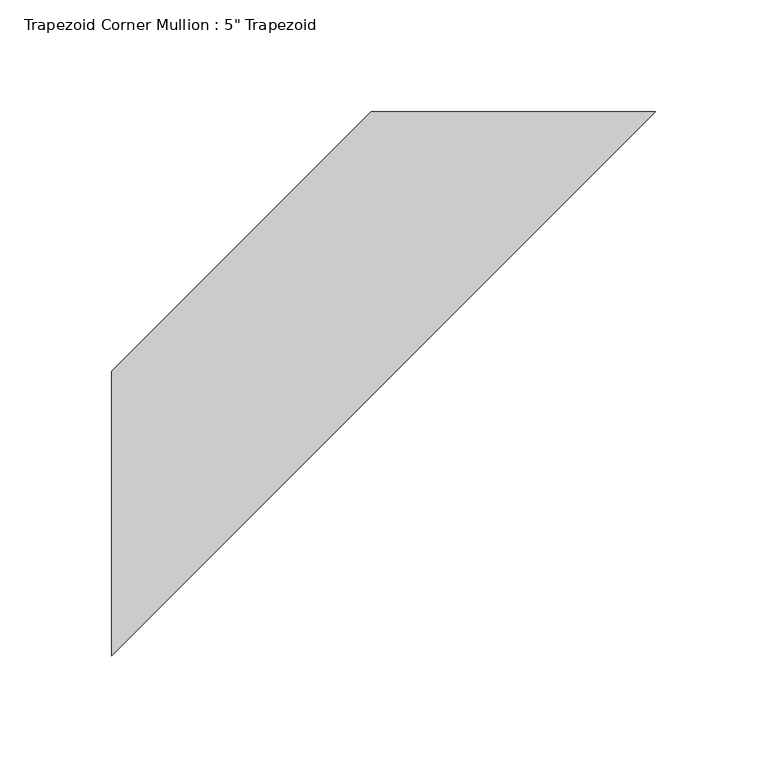
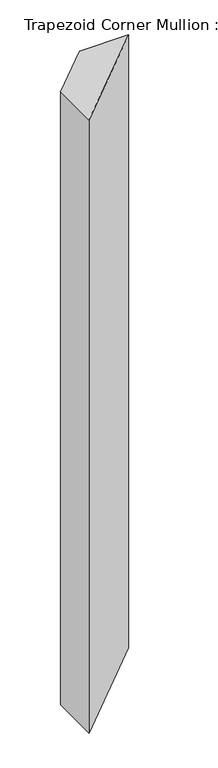
"""IFC4 building model written with IfcOpenShell, lengths in millimetres: member geometry."""

import ifcopenshell
import ifcopenshell.guid

model = None  # the IFC model being written
_history = None  # IfcOwnerHistory: only IFC2X3 demands one
_inside = {}  # id of a spatial element -> (the spatial element, [elements in it])
_under = {}  # id of a project, library or spatial element -> (it, [spatial elements below it])
_declared = {}  # id of a project -> (the project, [libraries it declares])
_typed = {}  # id of a type object -> (the type object, [elements of that type])
_made_of = {}  # id of a material, layer set ... -> (it, [elements and type objects made of it])


def new_model(schema):
    """Start an empty IFC model of exactly this schema.

    Asked for "IFC4X3", IfcOpenShell would pick the latest addendum, in which some entities
    have other attributes; the version numbers below select the first issue.
    IFC2X3 requires an IfcOwnerHistory on every rooted entity: one is made here for all.
    """
    global model, _history
    if schema == "IFC4X3":
        model = ifcopenshell.file(schema_version=(4, 3, 0, 0))
    else:
        model = ifcopenshell.file(schema=schema)
    _inside.clear()
    _under.clear()
    _declared.clear()
    _typed.clear()
    _made_of.clear()
    _history = None
    if model.schema == "IFC2X3":
        org = make("IfcOrganization", Name="unknown")
        user = make(
            "IfcPersonAndOrganization",
            ThePerson=make("IfcPerson", FamilyName="unknown"),
            TheOrganization=org,
        )
        app = make(
            "IfcApplication",
            ApplicationDeveloper=org,
            Version="unknown",
            ApplicationFullName="unknown",
            ApplicationIdentifier="unknown",
        )
        _history = make(
            "IfcOwnerHistory",
            OwningUser=user,
            OwningApplication=app,
            ChangeAction="ADDED",
            CreationDate=0,
        )
    return model


def make(cls, **values):
    """One entity of the class cls with the attributes given. An attribute that is None is left unset."""
    return model.create_entity(
        cls, **{name: value for name, value in values.items() if value is not None}
    )


def rooted(cls, **values):
    """An entity with a GlobalId (a new one), such as an element, a storey or a relation."""
    return make(cls, GlobalId=ifcopenshell.guid.new(), OwnerHistory=_history, **values)


def si_unit(unit_type, name, prefix=None):
    """IfcSIUnit, for example si_unit("LENGTHUNIT", "METRE", prefix="MILLI")."""
    return make("IfcSIUnit", UnitType=unit_type, Prefix=prefix, Name=name)


def assignment(units):
    """IfcUnitAssignment: the units of a project."""
    return None if units is None else make("IfcUnitAssignment", Units=units)


def point(xyz):
    """IfcCartesianPoint."""
    return None if xyz is None else make("IfcCartesianPoint", Coordinates=xyz)


def direction(xyz):
    """IfcDirection."""
    return None if xyz is None else make("IfcDirection", DirectionRatios=xyz)


def frame(location, z_axis=None, x_axis=None):
    """IfcAxis2Placement3D, a coordinate frame: its origin and axes. An axis left out is left unset."""
    return make(
        "IfcAxis2Placement3D",
        Location=point(location),
        Axis=direction(z_axis),
        RefDirection=direction(x_axis),
    )


def origin():
    """The frame at (0, 0, 0) with its axes left unset."""
    return frame((0.0, 0.0, 0.0))


def place(relative_to, where):
    """IfcLocalPlacement: puts the frame where relative to a parent placement (None: the world)."""
    return make(
        "IfcLocalPlacement", PlacementRelTo=relative_to, RelativePlacement=where
    )


def context(
    kind, dimensions, precision=None, world=None, true_north=None, identifier=None
):
    """IfcGeometricRepresentationContext, for example the 3D "Model" context."""
    return make(
        "IfcGeometricRepresentationContext",
        ContextIdentifier=identifier,
        ContextType=kind,
        CoordinateSpaceDimension=dimensions,
        Precision=precision,
        WorldCoordinateSystem=world,
        TrueNorth=true_north,
    )


def project(units=None, contexts=None):
    """IfcProject with its units and contexts."""
    return rooted(
        "IfcProject",
        Name="project",
        RepresentationContexts=contexts,
        UnitsInContext=assignment(units),
    )


def spatial(cls, under=None, at=None, **own):
    """A site, building, storey or space (cls), placed at a placement, below another one or the project."""
    s = rooted(cls, ObjectPlacement=at, **own)
    if under is not None:
        _under.setdefault(under.id(), (under, []))[1].append(s)
    return s


def polyline(points):
    """IfcPolyline through the points."""
    return make("IfcPolyline", Points=[point(p) for p in points])


def outline(outer, holes=None, kind="AREA"):
    """IfcArbitraryClosedProfileDef: a profile drawn as a closed curve; with holes, ...WithVoids."""
    if holes is None:
        return make("IfcArbitraryClosedProfileDef", ProfileType=kind, OuterCurve=outer)
    return make(
        "IfcArbitraryProfileDefWithVoids",
        ProfileType=kind,
        OuterCurve=outer,
        InnerCurves=holes,
    )


def extrude(swept, where, along, depth):
    """IfcExtrudedAreaSolid: the profile swept, set in the frame where, extruded along a direction by depth."""
    return make(
        "IfcExtrudedAreaSolid",
        SweptArea=swept,
        Position=where,
        ExtrudedDirection=direction(along),
        Depth=depth,
    )


def shape(context_of_items, identifier, shape_type, items):
    """IfcShapeRepresentation: the items that make up one representation, for example the "Body"."""
    return make(
        "IfcShapeRepresentation",
        ContextOfItems=context_of_items,
        RepresentationIdentifier=identifier,
        RepresentationType=shape_type,
        Items=items,
    )


def source(mapping_origin, context_of_items, identifier, shape_type, items):
    """IfcRepresentationMap: a shape defined once, which mapped items show again and again."""
    return make(
        "IfcRepresentationMap",
        MappingOrigin=mapping_origin,
        MappedRepresentation=shape(context_of_items, identifier, shape_type, items),
    )


def transform(
    local_origin,
    x_axis=None,
    y_axis=None,
    z_axis=None,
    scale=None,
    scale2=None,
    scale3=None,
    uniform=True,
):
    """IfcCartesianTransformationOperator3D, or its non-uniform kind. x_axis, y_axis, z_axis: its Axis1, 2, 3."""
    if uniform:
        return make(
            "IfcCartesianTransformationOperator3D",
            Axis1=direction(x_axis),
            Axis2=direction(y_axis),
            LocalOrigin=point(local_origin),
            Scale=scale,
            Axis3=direction(z_axis),
        )
    return make(
        "IfcCartesianTransformationOperator3DnonUniform",
        Axis1=direction(x_axis),
        Axis2=direction(y_axis),
        LocalOrigin=point(local_origin),
        Scale=scale,
        Axis3=direction(z_axis),
        Scale2=scale2,
        Scale3=scale3,
    )


def mapped(mapping_source, mapping_target):
    """IfcMappedItem: shows the shape of a source again, moved by a transform."""
    return make(
        "IfcMappedItem", MappingSource=mapping_source, MappingTarget=mapping_target
    )


def made_of(thing, what):
    """Note that an element or type object is made of a material, layer set ...; save() writes the relation."""
    if what is not None:
        _made_of.setdefault(what.id(), (what, []))[1].append(thing)
    return thing


def element(
    cls,
    number,
    at=None,
    inside=None,
    cuts=None,
    type_object=None,
    material=None,
    context=None,
    identifier="Body",
    shape_type=None,
    held_by="IfcProductDefinitionShape",
    body=None,
    shapes=None,
    **own,
):
    """One element of the class cls, such as IfcWall. Its Tag is "e" and its number.

    at: its placement. inside: the storey or other place that contains it. cuts: it is an
    opening in that element (IfcRelVoidsElement). A single representation is given by context,
    identifier, shape_type and body (its items); several are given by shapes. held_by: the class
    of the entity that holds the representations. save() writes the other relations.
    """
    e = rooted(cls, Tag="e%d" % number, ObjectPlacement=at, **own)
    if body is not None:
        shapes = [shape(context, identifier, shape_type, body)]
    if shapes is not None:
        e.Representation = make(held_by, Representations=shapes)
    if inside is not None:
        _inside.setdefault(inside.id(), (inside, []))[1].append(e)
    if cuts is not None:
        rooted(
            "IfcRelVoidsElement", RelatingBuildingElement=cuts, RelatedOpeningElement=e
        )
    if type_object is not None:
        _typed.setdefault(type_object.id(), (type_object, []))[1].append(e)
    return made_of(e, material)


def aggregate(whole, parts):
    """IfcRelAggregates: a whole, such as a stair, and the parts it consists of."""
    return rooted("IfcRelAggregates", RelatingObject=whole, RelatedObjects=parts)


def save(model, path):
    """Write the relations noted so far, then the file.

    IfcRelAggregates (storeys below a building ...), IfcRelContainedInSpatialStructure (elements
    in a storey), IfcRelDefinesByType, IfcRelAssociatesMaterial and IfcRelDeclares: one each for
    every whole, place, type object, material and project.
    """
    for whole, parts in _under.values():
        aggregate(whole, parts)
    for where, things in _inside.values():
        rooted(
            "IfcRelContainedInSpatialStructure",
            RelatedElements=things,
            RelatingStructure=where,
        )
    for kind, things in _typed.values():
        rooted("IfcRelDefinesByType", RelatedObjects=things, RelatingType=kind)
    for what, things in _made_of.values():
        rooted("IfcRelAssociatesMaterial", RelatedObjects=things, RelatingMaterial=what)
    for by, libraries in _declared.values():
        rooted("IfcRelDeclares", RelatingContext=by, RelatedDefinitions=libraries)
    model.write(path)


def member_a7e697b4(model_context):
    return source(origin(), model_context, "Body", "SweptSolid", [
        extrude(outline(polyline([(-63.5, 179.6051224), (63.5, 179.6051224), (-179.6051224, -63.5), (-179.6051224, 63.5), (-63.5, 179.6051224)])), frame((0.0, 0.0, -1674.9261784), z_axis=(0.0, 0.0, 1.0), x_axis=(1.0, 0.0, 0.0)), (0.0, 0.0, 1.0), 1674.9261784),
    ])


if __name__ == "__main__":
    model = new_model("IFC4")
    model_context = context("Model", 3, world=origin())
    ifc_project = project(units=[si_unit("LENGTHUNIT", "METRE", prefix="MILLI")], contexts=[model_context])
    site = spatial("IfcSite", under=ifc_project)
    building = spatial("IfcBuilding", under=site)
    placement = place(None, origin())
    member_shape = member_a7e697b4(model_context)
    element("IfcMember", 1, ObjectType="Trapezoid Corner Mullion : 5\" Trapezoid", at=placement, inside=building, context=model_context, shape_type="MappedRepresentation", body=[
        mapped(member_shape, transform((0.0, 0.0, 0.0), x_axis=(1.0, 0.0, 0.0), y_axis=(0.0, 1.0, 0.0), z_axis=(0.0, 0.0, 1.0))),
    ])
    save(model, "model.ifc")
